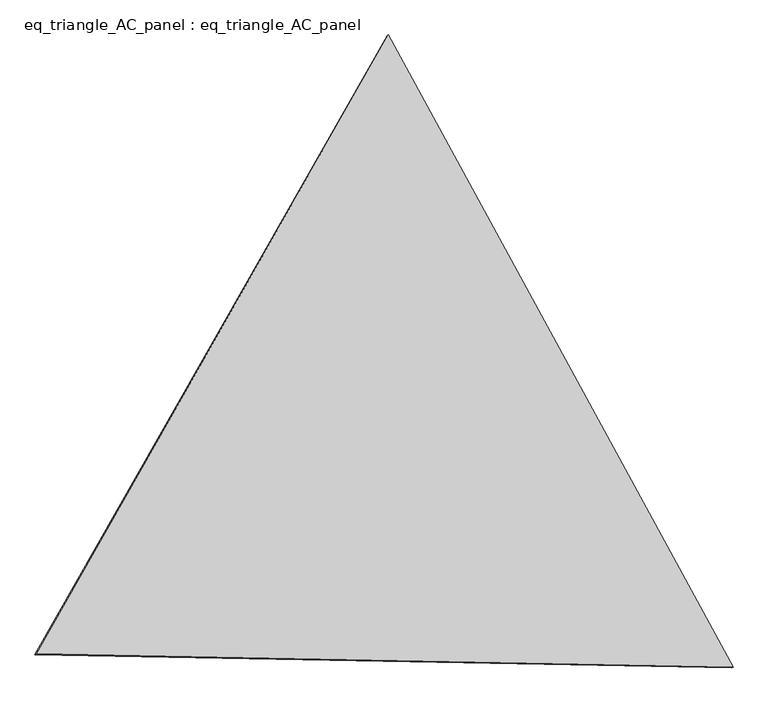
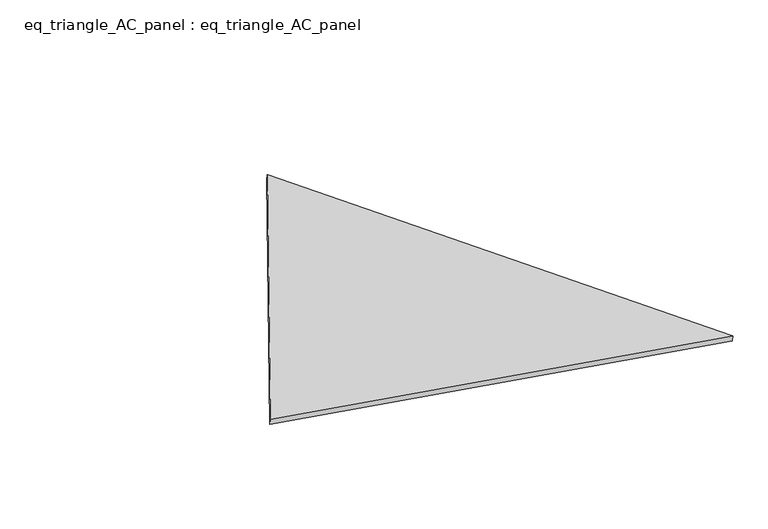
"""IFC4 building model written with IfcOpenShell, lengths in millimetres: proxy geometry, eq_triangle_AC_panel : eq_triangle_AC_panel."""

from ifc_helpers import new_model, si_unit, frame, origin, place, context, project, spatial, polyline, outline, extrude, source, transform, mapped, element, save


def eq_triangle_ac_panel_eq_triangle_ac_panel_cec6573d(model_context):
    return source(origin(), model_context, "Body", "SweptSolid", [
        extrude(outline(polyline([(-2091.0733402, 1173.2453702), (2032.8222852, 1173.2453701), (58.2510548, -2346.4907403), (-2091.0733402, 1173.2453702)])), frame((0.0038051, 527.9290861, 89.8240019), z_axis=(0.14526328518058176, 0.08386570281802179, 0.9858321976225894), x_axis=(0.4786610690094853, -0.8779899047769217, 0.004160303415498423)), (0.0, 0.0, 1.0), 43.8306294),
    ])


if __name__ == "__main__":
    model = new_model("IFC4")
    model_context = context("Model", 3, world=origin())
    ifc_project = project(units=[si_unit("LENGTHUNIT", "METRE", prefix="MILLI")], contexts=[model_context])
    site = spatial("IfcSite", under=ifc_project)
    building = spatial("IfcBuilding", under=site)
    placement = place(None, origin())
    eq_triangle_ac_panel_eq_triangle_ac_panel_shape = eq_triangle_ac_panel_eq_triangle_ac_panel_cec6573d(model_context)
    element("IfcBuildingElementProxy", 1, Name="eq_triangle_AC_panel : eq_triangle_AC_panel", ObjectType="eq_triangle_AC_panel : eq_triangle_AC_panel", at=placement, inside=building, context=model_context, shape_type="MappedRepresentation", body=[
        mapped(eq_triangle_ac_panel_eq_triangle_ac_panel_shape, transform((0.0, 0.0, 0.0), x_axis=(1.0, 0.0, 0.0), y_axis=(0.0, 1.0, 0.0), z_axis=(0.0, 0.0, 1.0))),
    ])
    save(model, "model.ifc")
